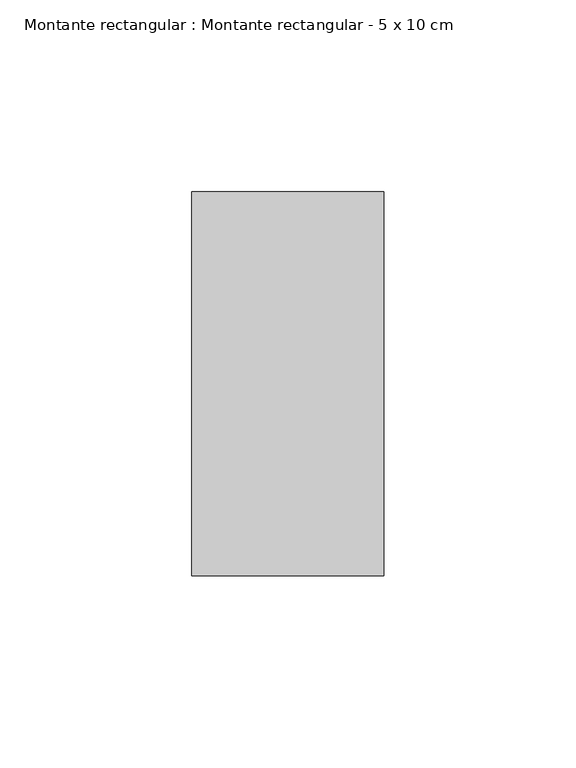
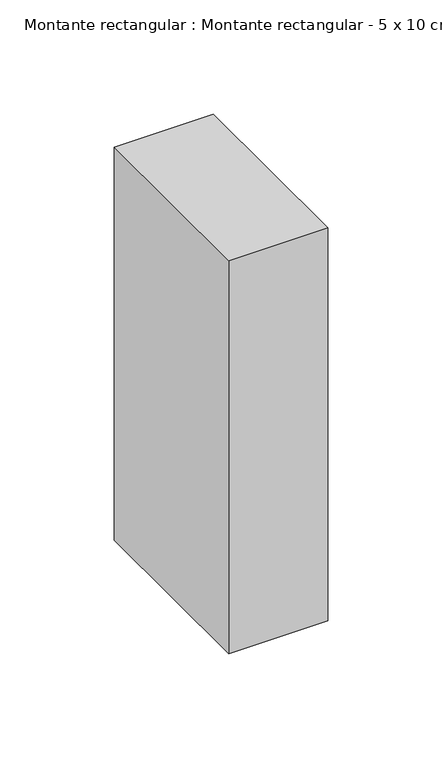
"""IFC4 building model written with IfcOpenShell, lengths in millimetres: member geometry, Montante rectangular : Montante rectangular - 5 x 10 cm."""

import ifcopenshell
import ifcopenshell.guid

model = None  # the IFC model being written
_history = None  # IfcOwnerHistory: only IFC2X3 demands one
_inside = {}  # id of a spatial element -> (the spatial element, [elements in it])
_under = {}  # id of a project, library or spatial element -> (it, [spatial elements below it])
_declared = {}  # id of a project -> (the project, [libraries it declares])
_typed = {}  # id of a type object -> (the type object, [elements of that type])
_made_of = {}  # id of a material, layer set ... -> (it, [elements and type objects made of it])


def new_model(schema):
    """Start an empty IFC model of exactly this schema.

    Asked for "IFC4X3", IfcOpenShell would pick the latest addendum, in which some entities
    have other attributes; the version numbers below select the first issue.
    IFC2X3 requires an IfcOwnerHistory on every rooted entity: one is made here for all.
    """
    global model, _history
    if schema == "IFC4X3":
        model = ifcopenshell.file(schema_version=(4, 3, 0, 0))
    else:
        model = ifcopenshell.file(schema=schema)
    _inside.clear()
    _under.clear()
    _declared.clear()
    _typed.clear()
    _made_of.clear()
    _history = None
    if model.schema == "IFC2X3":
        org = make("IfcOrganization", Name="unknown")
        user = make(
            "IfcPersonAndOrganization",
            ThePerson=make("IfcPerson", FamilyName="unknown"),
            TheOrganization=org,
        )
        app = make(
            "IfcApplication",
            ApplicationDeveloper=org,
            Version="unknown",
            ApplicationFullName="unknown",
            ApplicationIdentifier="unknown",
        )
        _history = make(
            "IfcOwnerHistory",
            OwningUser=user,
            OwningApplication=app,
            ChangeAction="ADDED",
            CreationDate=0,
        )
    return model


def make(cls, **values):
    """One entity of the class cls with the attributes given. An attribute that is None is left unset."""
    return model.create_entity(
        cls, **{name: value for name, value in values.items() if value is not None}
    )


def rooted(cls, **values):
    """An entity with a GlobalId (a new one), such as an element, a storey or a relation."""
    return make(cls, GlobalId=ifcopenshell.guid.new(), OwnerHistory=_history, **values)


def si_unit(unit_type, name, prefix=None):
    """IfcSIUnit, for example si_unit("LENGTHUNIT", "METRE", prefix="MILLI")."""
    return make("IfcSIUnit", UnitType=unit_type, Prefix=prefix, Name=name)


def assignment(units):
    """IfcUnitAssignment: the units of a project."""
    return None if units is None else make("IfcUnitAssignment", Units=units)


def point(xyz):
    """IfcCartesianPoint."""
    return None if xyz is None else make("IfcCartesianPoint", Coordinates=xyz)


def direction(xyz):
    """IfcDirection."""
    return None if xyz is None else make("IfcDirection", DirectionRatios=xyz)


def frame(location, z_axis=None, x_axis=None):
    """IfcAxis2Placement3D, a coordinate frame: its origin and axes. An axis left out is left unset."""
    return make(
        "IfcAxis2Placement3D",
        Location=point(location),
        Axis=direction(z_axis),
        RefDirection=direction(x_axis),
    )


def origin():
    """The frame at (0, 0, 0) with its axes left unset."""
    return frame((0.0, 0.0, 0.0))


def place(relative_to, where):
    """IfcLocalPlacement: puts the frame where relative to a parent placement (None: the world)."""
    return make(
        "IfcLocalPlacement", PlacementRelTo=relative_to, RelativePlacement=where
    )


def context(
    kind, dimensions, precision=None, world=None, true_north=None, identifier=None
):
    """IfcGeometricRepresentationContext, for example the 3D "Model" context."""
    return make(
        "IfcGeometricRepresentationContext",
        ContextIdentifier=identifier,
        ContextType=kind,
        CoordinateSpaceDimension=dimensions,
        Precision=precision,
        WorldCoordinateSystem=world,
        TrueNorth=true_north,
    )


def project(units=None, contexts=None):
    """IfcProject with its units and contexts."""
    return rooted(
        "IfcProject",
        Name="project",
        RepresentationContexts=contexts,
        UnitsInContext=assignment(units),
    )


def spatial(cls, under=None, at=None, **own):
    """A site, building, storey or space (cls), placed at a placement, below another one or the project."""
    s = rooted(cls, ObjectPlacement=at, **own)
    if under is not None:
        _under.setdefault(under.id(), (under, []))[1].append(s)
    return s


def polyline(points):
    """IfcPolyline through the points."""
    return make("IfcPolyline", Points=[point(p) for p in points])


def outline(outer, holes=None, kind="AREA"):
    """IfcArbitraryClosedProfileDef: a profile drawn as a closed curve; with holes, ...WithVoids."""
    if holes is None:
        return make("IfcArbitraryClosedProfileDef", ProfileType=kind, OuterCurve=outer)
    return make(
        "IfcArbitraryProfileDefWithVoids",
        ProfileType=kind,
        OuterCurve=outer,
        InnerCurves=holes,
    )


def extrude(swept, where, along, depth):
    """IfcExtrudedAreaSolid: the profile swept, set in the frame where, extruded along a direction by depth."""
    return make(
        "IfcExtrudedAreaSolid",
        SweptArea=swept,
        Position=where,
        ExtrudedDirection=direction(along),
        Depth=depth,
    )


def shape(context_of_items, identifier, shape_type, items):
    """IfcShapeRepresentation: the items that make up one representation, for example the "Body"."""
    return make(
        "IfcShapeRepresentation",
        ContextOfItems=context_of_items,
        RepresentationIdentifier=identifier,
        RepresentationType=shape_type,
        Items=items,
    )


def source(mapping_origin, context_of_items, identifier, shape_type, items):
    """IfcRepresentationMap: a shape defined once, which mapped items show again and again."""
    return make(
        "IfcRepresentationMap",
        MappingOrigin=mapping_origin,
        MappedRepresentation=shape(context_of_items, identifier, shape_type, items),
    )


def transform(
    local_origin,
    x_axis=None,
    y_axis=None,
    z_axis=None,
    scale=None,
    scale2=None,
    scale3=None,
    uniform=True,
):
    """IfcCartesianTransformationOperator3D, or its non-uniform kind. x_axis, y_axis, z_axis: its Axis1, 2, 3."""
    if uniform:
        return make(
            "IfcCartesianTransformationOperator3D",
            Axis1=direction(x_axis),
            Axis2=direction(y_axis),
            LocalOrigin=point(local_origin),
            Scale=scale,
            Axis3=direction(z_axis),
        )
    return make(
        "IfcCartesianTransformationOperator3DnonUniform",
        Axis1=direction(x_axis),
        Axis2=direction(y_axis),
        LocalOrigin=point(local_origin),
        Scale=scale,
        Axis3=direction(z_axis),
        Scale2=scale2,
        Scale3=scale3,
    )


def mapped(mapping_source, mapping_target):
    """IfcMappedItem: shows the shape of a source again, moved by a transform."""
    return make(
        "IfcMappedItem", MappingSource=mapping_source, MappingTarget=mapping_target
    )


def made_of(thing, what):
    """Note that an element or type object is made of a material, layer set ...; save() writes the relation."""
    if what is not None:
        _made_of.setdefault(what.id(), (what, []))[1].append(thing)
    return thing


def element(
    cls,
    number,
    at=None,
    inside=None,
    cuts=None,
    type_object=None,
    material=None,
    context=None,
    identifier="Body",
    shape_type=None,
    held_by="IfcProductDefinitionShape",
    body=None,
    shapes=None,
    **own,
):
    """One element of the class cls, such as IfcWall. Its Tag is "e" and its number.

    at: its placement. inside: the storey or other place that contains it. cuts: it is an
    opening in that element (IfcRelVoidsElement). A single representation is given by context,
    identifier, shape_type and body (its items); several are given by shapes. held_by: the class
    of the entity that holds the representations. save() writes the other relations.
    """
    e = rooted(cls, Tag="e%d" % number, ObjectPlacement=at, **own)
    if body is not None:
        shapes = [shape(context, identifier, shape_type, body)]
    if shapes is not None:
        e.Representation = make(held_by, Representations=shapes)
    if inside is not None:
        _inside.setdefault(inside.id(), (inside, []))[1].append(e)
    if cuts is not None:
        rooted(
            "IfcRelVoidsElement", RelatingBuildingElement=cuts, RelatedOpeningElement=e
        )
    if type_object is not None:
        _typed.setdefault(type_object.id(), (type_object, []))[1].append(e)
    return made_of(e, material)


def aggregate(whole, parts):
    """IfcRelAggregates: a whole, such as a stair, and the parts it consists of."""
    return rooted("IfcRelAggregates", RelatingObject=whole, RelatedObjects=parts)


def save(model, path):
    """Write the relations noted so far, then the file.

    IfcRelAggregates (storeys below a building ...), IfcRelContainedInSpatialStructure (elements
    in a storey), IfcRelDefinesByType, IfcRelAssociatesMaterial and IfcRelDeclares: one each for
    every whole, place, type object, material and project.
    """
    for whole, parts in _under.values():
        aggregate(whole, parts)
    for where, things in _inside.values():
        rooted(
            "IfcRelContainedInSpatialStructure",
            RelatedElements=things,
            RelatingStructure=where,
        )
    for kind, things in _typed.values():
        rooted("IfcRelDefinesByType", RelatedObjects=things, RelatingType=kind)
    for what, things in _made_of.values():
        rooted("IfcRelAssociatesMaterial", RelatedObjects=things, RelatingMaterial=what)
    for by, libraries in _declared.values():
        rooted("IfcRelDeclares", RelatingContext=by, RelatedDefinitions=libraries)
    model.write(path)


def montante_rectangular_montante_rectangular_5_x_10_cm_0ed5c606(model_context):
    return source(origin(), model_context, "Body", "SweptSolid", [
        extrude(outline(polyline([(-50.0, 50.0), (0.0, 50.0), (0.0, -50.0), (-50.0, -50.0), (-50.0, 50.0)])), frame((0.0, 0.0, -210.0), z_axis=(0.0, 0.0, 1.0), x_axis=(1.0, 0.0, 0.0)), (0.0, 0.0, 1.0), 210.0),
    ])


if __name__ == "__main__":
    model = new_model("IFC4")
    model_context = context("Model", 3, world=origin())
    ifc_project = project(units=[si_unit("LENGTHUNIT", "METRE", prefix="MILLI")], contexts=[model_context])
    site = spatial("IfcSite", under=ifc_project)
    building = spatial("IfcBuilding", under=site)
    placement = place(None, origin())
    montante_rectangular_montante_rectangular_5_x_10_cm_shape = montante_rectangular_montante_rectangular_5_x_10_cm_0ed5c606(model_context)
    element("IfcMember", 1, ObjectType="Montante rectangular : Montante rectangular - 5 x 10 cm", at=placement, inside=building, context=model_context, shape_type="MappedRepresentation", body=[
        mapped(montante_rectangular_montante_rectangular_5_x_10_cm_shape, transform((0.0, 0.0, 0.0), x_axis=(1.0, 0.0, 0.0), y_axis=(0.0, 1.0, 0.0), z_axis=(0.0, 0.0, 1.0))),
    ])
    save(model, "model.ifc")
